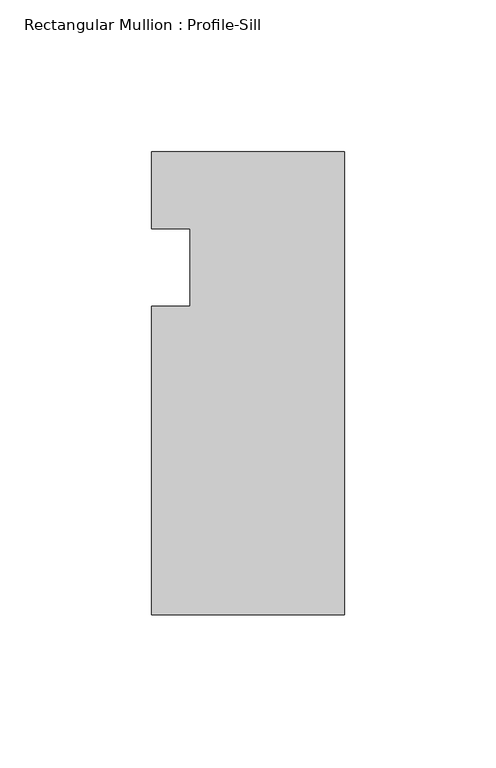
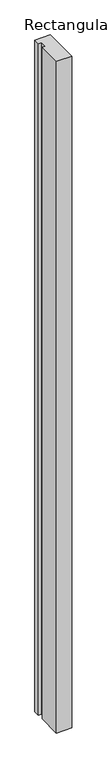
"""IFC4 building model written with IfcOpenShell, lengths in millimetres: member geometry, Rectangular Mullion : Profile-Sill."""

from ifc_helpers import new_model, si_unit, frame, origin, place, context, project, spatial, polyline, outline, extrude, source, transform, mapped, element, save


def rectangular_mullion_profile_sill_fb5f0b22(model_context):
    return source(origin(), model_context, "Body", "SweptSolid", [
        extrude(outline(polyline([(-63.5, 38.1), (0.0, 38.1), (0.0, -114.3), (-63.5, -114.3), (-63.5, -12.7), (-50.8, -12.7), (-50.8, 12.7), (-63.5, 12.7), (-63.5, 38.1)])), frame((0.0, 0.0, -2921.0459743), z_axis=(0.0, 0.0, 1.0), x_axis=(1.0, 0.0, 0.0)), (0.0, 0.0, 1.0), 2921.0459743),
    ])


if __name__ == "__main__":
    model = new_model("IFC4")
    model_context = context("Model", 3, world=origin())
    ifc_project = project(units=[si_unit("LENGTHUNIT", "METRE", prefix="MILLI")], contexts=[model_context])
    site = spatial("IfcSite", under=ifc_project)
    building = spatial("IfcBuilding", under=site)
    placement = place(None, origin())
    rectangular_mullion_profile_sill_shape = rectangular_mullion_profile_sill_fb5f0b22(model_context)
    element("IfcMember", 1, ObjectType="Rectangular Mullion : Profile-Sill", at=placement, inside=building, context=model_context, shape_type="MappedRepresentation", body=[
        mapped(rectangular_mullion_profile_sill_shape, transform((0.0, 0.0, 0.0), x_axis=(1.0, 0.0, 0.0), y_axis=(0.0, 1.0, 0.0), z_axis=(0.0, 0.0, 1.0))),
    ])
    save(model, "model.ifc")
